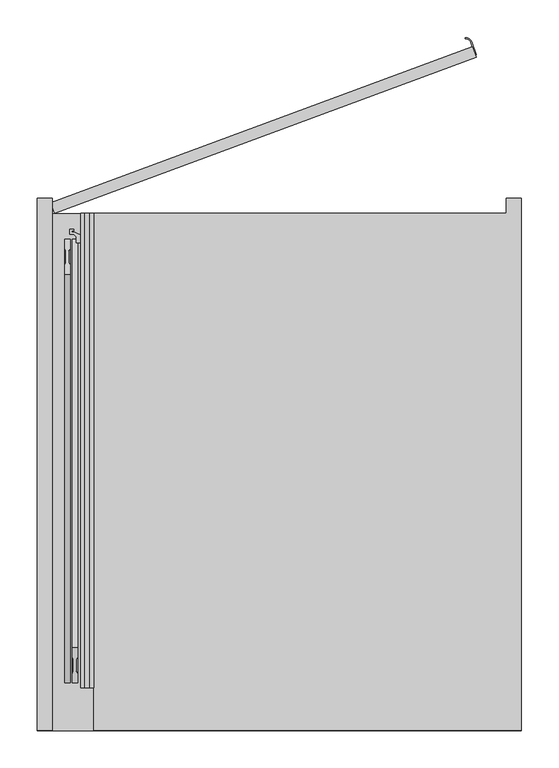
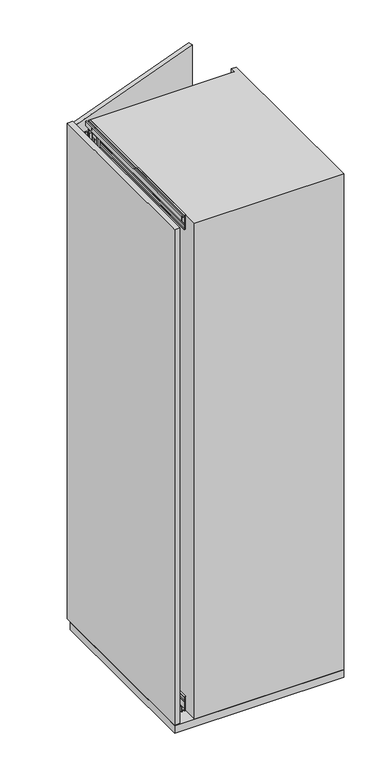
"""IFC4 building model written with IfcOpenShell, lengths in millimetres: furniture geometry."""

from ifc_helpers import new_model, si_unit, point, frame, frame_2d, origin, origin_with_axes, place, context, project, spatial, polyline, circle_curve, trimmed, segment, composite_curve, outline, extrude, faceted_brep, source, transform, mapped, element, save


def furniture_b7b94af4(model_context):
    return source(origin(), model_context, "Body", "SolidModel", [
        extrude(outline(composite_curve([segment(polyline([(509.5187546, 211.4371969), (503.0796214, 228.8005115)]), True, "CONTINUOUS"), segment(trimmed(circle_curve(frame_2d((496.5301997, 226.3716781)), 6.9852814), [point((503.0796214, 228.8005115))], [point((495.8792418, 233.326562))], True, "CARTESIAN"), True, "CONTINUOUS"), segment(polyline([(495.8792418, 233.326562), (495.7394569, 234.8200345)]), True, "CONTINUOUS"), segment(trimmed(circle_curve(frame_2d((496.5301997, 226.3716781)), 8.4852814), [point((495.7394569, 234.8200345))], [point((504.486026, 229.3220725))], False, "CARTESIAN"), True, "CONTINUOUS"), segment(polyline([(504.486026, 229.3220725), (510.9251593, 211.9587579), (509.5187546, 211.4371969)]), True, "CONTINUOUS")], self_intersect=False)), frame((0.0, 0.0, 1110.0), z_axis=(0.0, 0.0, 1.0), x_axis=(1.0, 0.0, 0.0)), (0.0, 0.0, 1.0), 180.0),
        extrude(outline(polyline([(-57.2156097, 14.0640469), (505.3462669, 222.6884344), (510.5618765, 208.6243875), (-52.0, 0.0), (-57.2156097, 14.0640469)])), origin_with_axes(), (0.0, 0.0, 1.0), 2000.0),
        extrude(outline(polyline([(17.0, -17.0), (-2.0, -17.0), (-2.0, -12.75), (0.25, -12.75), (0.25, -15.0), (2.9, -15.0), (2.9, -3.0), (0.25, -3.0), (0.25, -5.25), (-2.0, -5.25), (-2.0, 0.0), (56.5663764, 0.0), (57.0913089, -6.0), (54.1547673, -6.0), (54.1547673, -2.5), (38.5, -2.5), (38.5, -6.0), (35.5, -6.0), (35.5, -3.0104888), (5.5, -3.0104888), (5.5, -15.0), (17.0, -15.0), (17.0, -17.0)])), frame((0.0, -633.0, 0.0), z_axis=(0.0, 1.0, 0.0), x_axis=(0.0, 0.0, 1.0)), (0.0, 0.0, 1.0), 633.0),
        extrude(outline(polyline([(1983.0, -15.0), (1994.5, -15.0), (1994.5, -3.0104888), (1964.5, -3.0104888), (1964.5, -6.0), (1961.5, -6.0), (1961.5, -2.5), (1945.8452327, -2.5), (1945.8452327, -6.0), (1942.9086911, -6.0), (1943.4336236, 0.0), (2002.0, 0.0), (2002.0, -5.25), (1999.75, -5.25), (1999.75, -3.0), (1997.1, -3.0), (1997.1, -15.0), (1999.75, -15.0), (1999.75, -12.75), (2002.0, -12.75), (2002.0, -17.0), (1983.0, -17.0), (1983.0, -15.0)])), frame((0.0, -633.0, 0.0), z_axis=(0.0, 1.0, 0.0), x_axis=(0.0, 0.0, 1.0)), (0.0, 0.0, 1.0), 633.0),
        faceted_brep([(-15.8313044, -44.5, 33.9), (-15.8313044, -44.5, 21.9), (-15.8313044, -68.7, 21.9), (-15.8313044, -68.7, 33.9), (-13.8052444, -68.7, 33.9), (-13.8052444, -68.7, 21.9), (-13.8052444, -44.5, 21.9), (-13.8052444, -44.5, 33.9), (-14.2052444, -68.7, 19.301924), (-14.2052444, -68.7, 21.9), (-14.2052444, -44.5, 21.9), (-14.2052444, -44.5, 19.301924), (-10.2052444, -81.5, 21.9), (-7.7858983, -81.5, 21.9), (-3.8052444, -77.5193461, 21.9), (-3.8052444, -35.5, 21.9), (-7.8052444, -31.5, 21.9), (-10.2052444, -31.5, 21.9), (-14.2052444, -35.5, 21.9), (-14.2052444, -77.5, 21.9), (-3.8052444, -70.0, 9.0920874), (-14.2052444, -70.0, 9.0920874), (-14.2052444, -42.8540496, 9.0920874), (-3.8052444, -42.8540496, 9.0920874), (-14.2052444, -77.5, 14.45), (-10.2052444, -81.5, 14.45), (-14.2052444, -70.0, 14.45), (-14.2052444, -35.5, 14.45), (-14.2052444, -42.8540496, 14.45), (-14.2052444, -64.0, 15.2), (-14.2052444, -64.0, 11.4378021), (-14.2052444, -49.0, 11.4378021), (-14.2052444, -49.0, 15.2), (-10.2052444, -31.5, 14.45), (-7.8052444, -31.5, 14.45), (-3.8052444, -35.5, 14.45), (-3.8052444, -77.5193461, 14.45), (-3.8052444, -70.0, 14.45), (-3.8052444, -42.8540496, 14.45), (-3.8052444, -49.0, 15.2), (-3.8052444, -49.0, 11.4378021), (-3.8052444, -64.0, 11.4378021), (-3.8052444, -64.0, 15.2), (-7.7858983, -81.5, 14.45)], [[[0, 1, 2, 3]], [[4, 5, 6, 7]], [[3, 4, 7, 0]], [[3, 2, 8, 9, 5, 4]], [[7, 6, 10, 11, 1, 0]], [[1, 11, 8, 2]], [[12, 13, 14, 15, 16, 17, 18, 10, 6, 5, 9, 19]], [[20, 21, 22, 23]], [[19, 24, 25, 12]], [[21, 26, 24, 19, 9, 8, 11, 10, 18, 27, 28, 22], [29, 30, 31, 32]], [[17, 33, 27, 18]], [[16, 34, 33, 17]], [[15, 35, 34, 16]], [[14, 36, 37, 20, 23, 38, 35, 15], [39, 40, 41, 42]], [[13, 43, 36, 14]], [[12, 25, 43, 13]], [[37, 36, 43, 25, 24, 26]], [[26, 21, 20, 37]], [[29, 32, 39, 42]], [[42, 41, 30, 29]], [[32, 31, 40, 39]], [[28, 27, 33, 34, 35, 38]], [[38, 23, 22, 28]], [[41, 40, 31, 30]]]),
        extrude(outline(composite_curve([segment(trimmed(circle_curve(frame_2d((-9.0052444, -37.1770248)), 5.75), [point((-9.0052444, -42.9270248))], [point((-9.0052444, -31.4270248))], False, "CARTESIAN"), True, "CONTINUOUS"), segment(trimmed(circle_curve(frame_2d((-9.0052444, -37.1770248)), 5.75), [point((-9.0052444, -31.4270248))], [point((-9.0052444, -42.9270248))], False, "CARTESIAN"), True, "CONTINUOUS")], self_intersect=False)), frame((0.0, 0.0, 6.65), z_axis=(0.0, 0.0, 1.0), x_axis=(1.0, 0.0, 0.0)), (0.0, 0.0, 1.0), 7.3),
        extrude(outline(composite_curve([segment(trimmed(circle_curve(frame_2d((-9.0052444, -56.5)), 5.75), [point((-9.0052444, -62.25))], [point((-9.0052444, -50.75))], False, "CARTESIAN"), True, "CONTINUOUS"), segment(trimmed(circle_curve(frame_2d((-9.0052444, -56.5)), 5.75), [point((-9.0052444, -50.75))], [point((-9.0052444, -62.25))], False, "CARTESIAN"), True, "CONTINUOUS")], self_intersect=False)), frame((0.0, 0.0, 11.4378021), z_axis=(0.0, 0.0, 1.0), x_axis=(1.0, 0.0, 0.0)), (0.0, 0.0, 1.0), 3.7621979),
        extrude(outline(composite_curve([segment(trimmed(circle_curve(frame_2d((-9.0052444, -75.75)), 5.75), [point((-9.0052444, -81.5))], [point((-9.0052444, -70.0))], False, "CARTESIAN"), True, "CONTINUOUS"), segment(trimmed(circle_curve(frame_2d((-9.0052444, -75.75)), 5.75), [point((-9.0052444, -70.0))], [point((-9.0052444, -81.5))], False, "CARTESIAN"), True, "CONTINUOUS")], self_intersect=False)), frame((0.0, 0.0, 6.65), z_axis=(0.0, 0.0, 1.0), x_axis=(1.0, 0.0, 0.0)), (0.0, 0.0, 1.0), 7.3),
        faceted_brep([(-15.8313044, -68.5, 1966.1), (-15.8313044, -68.5, 1978.1), (-15.8313044, -44.3, 1978.1), (-15.8313044, -44.3, 1966.1), (-13.8052444, -44.3, 1966.1), (-13.8052444, -44.3, 1978.1), (-13.8052444, -68.5, 1978.1), (-13.8052444, -68.5, 1966.1), (-14.2052444, -44.3, 1980.698076), (-14.2052444, -44.3, 1978.1), (-14.2052444, -68.5, 1978.1), (-14.2052444, -68.5, 1980.698076), (-10.2052444, -31.5, 1978.1), (-7.7858983, -31.5, 1978.1), (-3.8052444, -35.4806539, 1978.1), (-3.8052444, -77.5, 1978.1), (-7.8052444, -81.5, 1978.1), (-10.2052444, -81.5, 1978.1), (-14.2052444, -77.5, 1978.1), (-14.2052444, -35.5, 1978.1), (-3.8052444, -43.0, 1990.9079126), (-14.2052444, -43.0, 1990.9079126), (-14.2052444, -70.1459504, 1990.9079126), (-3.8052444, -70.1459504, 1990.9079126), (-14.2052444, -35.5, 1985.55), (-10.2052444, -31.5, 1985.55), (-14.2052444, -43.0, 1985.55), (-14.2052444, -77.5, 1985.55), (-14.2052444, -70.1459504, 1985.55), (-14.2052444, -49.0, 1984.8), (-14.2052444, -49.0, 1988.5621979), (-14.2052444, -64.0, 1988.5621979), (-14.2052444, -64.0, 1984.8), (-10.2052444, -81.5, 1985.55), (-7.8052444, -81.5, 1985.55), (-3.8052444, -77.5, 1985.55), (-3.8052444, -35.4806539, 1985.55), (-3.8052444, -43.0, 1985.55), (-3.8052444, -70.1459504, 1985.55), (-3.8052444, -64.0, 1984.8), (-3.8052444, -64.0, 1988.5621979), (-3.8052444, -49.0, 1988.5621979), (-3.8052444, -49.0, 1984.8), (-7.7858983, -31.5, 1985.55)], [[[0, 1, 2, 3]], [[4, 5, 6, 7]], [[3, 4, 7, 0]], [[3, 2, 8, 9, 5, 4]], [[7, 6, 10, 11, 1, 0]], [[1, 11, 8, 2]], [[12, 13, 14, 15, 16, 17, 18, 10, 6, 5, 9, 19]], [[20, 21, 22, 23]], [[19, 24, 25, 12]], [[21, 26, 24, 19, 9, 8, 11, 10, 18, 27, 28, 22], [29, 30, 31, 32]], [[17, 33, 27, 18]], [[16, 34, 33, 17]], [[15, 35, 34, 16]], [[14, 36, 37, 20, 23, 38, 35, 15], [39, 40, 41, 42]], [[13, 43, 36, 14]], [[12, 25, 43, 13]], [[37, 36, 43, 25, 24, 26]], [[26, 21, 20, 37]], [[29, 32, 39, 42]], [[42, 41, 30, 29]], [[32, 31, 40, 39]], [[28, 27, 33, 34, 35, 38]], [[38, 23, 22, 28]], [[41, 40, 31, 30]]]),
        extrude(outline(composite_curve([segment(trimmed(circle_curve(frame_2d((-9.0052444, -75.8229752)), 5.75), [point((-9.0052444, -70.0729752))], [point((-9.0052444, -81.5729752))], False, "CARTESIAN"), True, "CONTINUOUS"), segment(trimmed(circle_curve(frame_2d((-9.0052444, -75.8229752)), 5.75), [point((-9.0052444, -81.5729752))], [point((-9.0052444, -70.0729752))], False, "CARTESIAN"), True, "CONTINUOUS")], self_intersect=False)), frame((0.0, 0.0, 1986.05), z_axis=(0.0, 0.0, 1.0), x_axis=(1.0, 0.0, 0.0)), (0.0, 0.0, 1.0), 7.3),
        extrude(outline(composite_curve([segment(trimmed(circle_curve(frame_2d((-9.0052444, -56.5)), 5.75), [point((-9.0052444, -50.75))], [point((-9.0052444, -62.25))], False, "CARTESIAN"), True, "CONTINUOUS"), segment(trimmed(circle_curve(frame_2d((-9.0052444, -56.5)), 5.75), [point((-9.0052444, -62.25))], [point((-9.0052444, -50.75))], False, "CARTESIAN"), True, "CONTINUOUS")], self_intersect=False)), frame((0.0, 0.0, 1984.8), z_axis=(0.0, 0.0, 1.0), x_axis=(1.0, 0.0, 0.0)), (0.0, 0.0, 1.0), 3.7621979),
        extrude(outline(composite_curve([segment(trimmed(circle_curve(frame_2d((-9.0052444, -37.25)), 5.75), [point((-9.0052444, -31.5))], [point((-9.0052444, -43.0))], False, "CARTESIAN"), True, "CONTINUOUS"), segment(trimmed(circle_curve(frame_2d((-9.0052444, -37.25)), 5.75), [point((-9.0052444, -43.0))], [point((-9.0052444, -31.5))], False, "CARTESIAN"), True, "CONTINUOUS")], self_intersect=False)), frame((0.0, 0.0, 1986.05), z_axis=(0.0, 0.0, 1.0), x_axis=(1.0, 0.0, 0.0)), (0.0, 0.0, 1.0), 7.3),
        extrude(outline(polyline([(-8.4980052, -11.2885509), (-7.0980161, -8.7447793), (-7.0980161, 8.7447793), (-8.4980052, 11.2885509), (-8.4980052, 24.9437822), (-1.5019948, 24.9437822), (-1.5019948, 11.2885509), (-2.9019839, 8.7447793), (-2.9019839, -8.7447793), (-1.5019948, -11.2885509), (-1.5019948, -24.9437822), (-8.4980052, -24.9437822), (-8.4980052, -11.2885509)])), frame((-30.0, -603.0, 263.0), z_axis=(0.0, 0.3634883452505437, 0.9315987456340963), x_axis=(1.0, 0.0, 0.0)), (0.0, 0.0, 1.0), 1500.0),
        extrude(outline(polyline([(1.5019948, 11.2885509), (1.5019948, 24.9437822), (8.4980052, 24.9437822), (8.4980052, 11.2885509), (7.0980161, 8.7447792), (7.0980161, -8.7447793), (8.4980052, -11.2885509), (8.4980052, -24.9437823), (1.5019948, -24.9437823), (1.5019948, -11.2885509), (2.9019839, -8.7447793), (2.9019839, 8.7447792), (1.5019948, 11.2885509)])), frame((-30.0, -57.7674821, 365.6018815), z_axis=(0.0, -0.36348834525054297, 0.9315987456340965), x_axis=(1.0, 0.0, 0.0)), (0.0, 0.0, 1.0), 1500.0),
        extrude(outline(polyline([(-14.6, -76.0), (-14.6, -68.7), (-12.2, -68.7), (-12.2, -72.2), (-9.6, -72.2), (-9.6, -64.5), (-10.6, -63.5), (-10.6, -49.5), (-9.6, -48.5), (-9.6, -40.8), (-12.2, -40.8), (-12.2, -44.3), (-14.6, -44.3), (-14.6, -39.5), (-23.35, -39.5), (-23.35, -31.0), (-26.35, -28.0), (-31.6, -28.0), (-31.6, -21.5), (-26.3, -21.5), (-26.3, -23.2), (-29.1, -23.2), (-29.1, -25.5), (-25.2566983, -25.5), (-21.16538, -27.407813), (-15.99707, -29.2889243), (-14.7999998, -26.0), (-11.1, -26.0), (-10.1, -25.0), (-9.1, -25.0), (-9.1, -30.5928201), (-12.6, -28.5720943), (-12.6, -34.5), (-11.1, -36.0), (-8.85, -36.0), (-6.85, -38.0), (-6.85, -76.0), (-14.6, -76.0)])), frame((0.0, 0.0, 21.9), z_axis=(0.0, 0.0, 1.0), x_axis=(1.0, 0.0, 0.0)), (0.0, 0.0, 1.0), 1956.2),
        extrude(outline(polyline([(571.0, -690.0), (-75.0, -690.0), (-75.0, 0.0), (571.0, 0.0), (571.0, -690.0)])), frame((0.0, 0.0, -32.0), z_axis=(0.0, 0.0, 1.0), x_axis=(1.0, 0.0, 0.0)), (0.0, 0.0, 1.0), 30.0),
        extrude(outline(polyline([(-75.0, -690.0), (-75.0, 20.0), (-55.0, 20.0), (-55.0, -690.0), (-75.0, -690.0)])), origin_with_axes(), (0.0, 0.0, 1.0), 2002.0),
        extrude(outline(polyline([(551.0, 0.0), (551.0, 20.0), (571.0, 20.0), (571.0, -690.0), (0.0, -690.0), (0.0, 0.0), (551.0, 0.0)])), frame((0.0, 0.0, -2.0), z_axis=(0.0, 0.0, 1.0), x_axis=(1.0, 0.0, 0.0)), (0.0, 0.0, 1.0), 2004.0),
    ])


if __name__ == "__main__":
    model = new_model("IFC4")
    model_context = context("Model", 3, world=origin())
    ifc_project = project(units=[si_unit("LENGTHUNIT", "METRE", prefix="MILLI")], contexts=[model_context])
    site = spatial("IfcSite", under=ifc_project)
    building = spatial("IfcBuilding", under=site)
    placement = place(None, origin())
    furniture_shape = furniture_b7b94af4(model_context)
    element("IfcFurniture", 1, at=placement, inside=building, context=model_context, shape_type="MappedRepresentation", body=[
        mapped(furniture_shape, transform((0.0, 0.0, 0.0), x_axis=(1.0, 0.0, 0.0), y_axis=(0.0, 1.0, 0.0), z_axis=(0.0, 0.0, 1.0))),
    ])
    save(model, "model.ifc")
